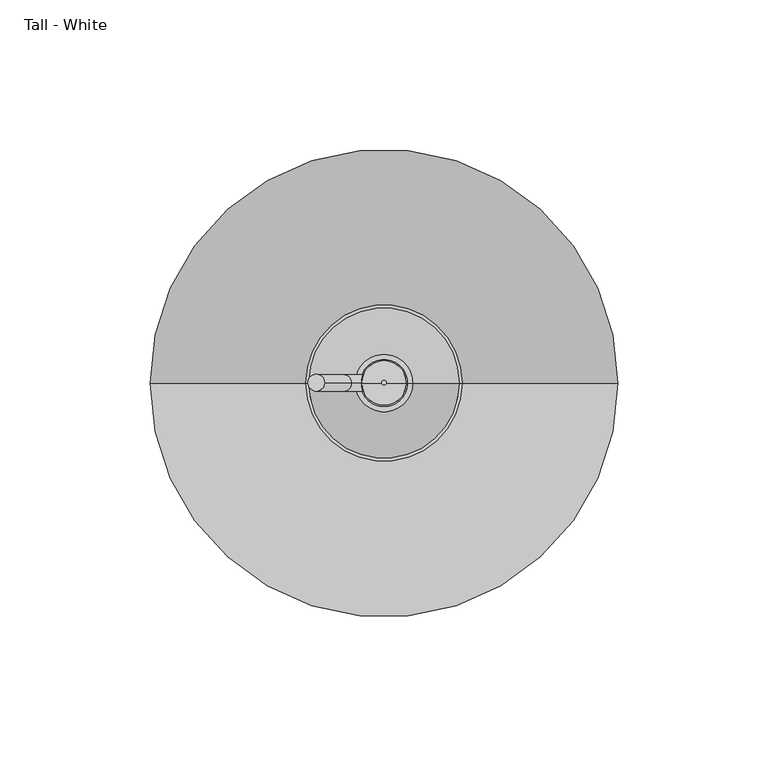
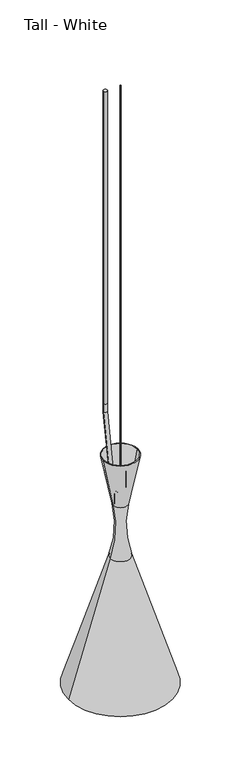
"""IFC4 building model written with IfcOpenShell, lengths in millimetres: furniture geometry, Tall - White."""

import ifcopenshell
import ifcopenshell.guid

model = None  # the IFC model being written
_history = None  # IfcOwnerHistory: only IFC2X3 demands one
_inside = {}  # id of a spatial element -> (the spatial element, [elements in it])
_under = {}  # id of a project, library or spatial element -> (it, [spatial elements below it])
_declared = {}  # id of a project -> (the project, [libraries it declares])
_typed = {}  # id of a type object -> (the type object, [elements of that type])
_made_of = {}  # id of a material, layer set ... -> (it, [elements and type objects made of it])


def new_model(schema):
    """Start an empty IFC model of exactly this schema.

    Asked for "IFC4X3", IfcOpenShell would pick the latest addendum, in which some entities
    have other attributes; the version numbers below select the first issue.
    IFC2X3 requires an IfcOwnerHistory on every rooted entity: one is made here for all.
    """
    global model, _history
    if schema == "IFC4X3":
        model = ifcopenshell.file(schema_version=(4, 3, 0, 0))
    else:
        model = ifcopenshell.file(schema=schema)
    _inside.clear()
    _under.clear()
    _declared.clear()
    _typed.clear()
    _made_of.clear()
    _history = None
    if model.schema == "IFC2X3":
        org = make("IfcOrganization", Name="unknown")
        user = make(
            "IfcPersonAndOrganization",
            ThePerson=make("IfcPerson", FamilyName="unknown"),
            TheOrganization=org,
        )
        app = make(
            "IfcApplication",
            ApplicationDeveloper=org,
            Version="unknown",
            ApplicationFullName="unknown",
            ApplicationIdentifier="unknown",
        )
        _history = make(
            "IfcOwnerHistory",
            OwningUser=user,
            OwningApplication=app,
            ChangeAction="ADDED",
            CreationDate=0,
        )
    return model


def make(cls, **values):
    """One entity of the class cls with the attributes given. An attribute that is None is left unset."""
    return model.create_entity(
        cls, **{name: value for name, value in values.items() if value is not None}
    )


def rooted(cls, **values):
    """An entity with a GlobalId (a new one), such as an element, a storey or a relation."""
    return make(cls, GlobalId=ifcopenshell.guid.new(), OwnerHistory=_history, **values)


def si_unit(unit_type, name, prefix=None):
    """IfcSIUnit, for example si_unit("LENGTHUNIT", "METRE", prefix="MILLI")."""
    return make("IfcSIUnit", UnitType=unit_type, Prefix=prefix, Name=name)


def assignment(units):
    """IfcUnitAssignment: the units of a project."""
    return None if units is None else make("IfcUnitAssignment", Units=units)


def point(xyz):
    """IfcCartesianPoint."""
    return None if xyz is None else make("IfcCartesianPoint", Coordinates=xyz)


def direction(xyz):
    """IfcDirection."""
    return None if xyz is None else make("IfcDirection", DirectionRatios=xyz)


def frame(location, z_axis=None, x_axis=None):
    """IfcAxis2Placement3D, a coordinate frame: its origin and axes. An axis left out is left unset."""
    return make(
        "IfcAxis2Placement3D",
        Location=point(location),
        Axis=direction(z_axis),
        RefDirection=direction(x_axis),
    )


def frame_2d(location, x_axis=None):
    """IfcAxis2Placement2D, a coordinate frame in the plane: its origin and x axis."""
    return make(
        "IfcAxis2Placement2D", Location=point(location), RefDirection=direction(x_axis)
    )


def origin():
    """The frame at (0, 0, 0) with its axes left unset."""
    return frame((0.0, 0.0, 0.0))


def origin_2d():
    """The frame at (0, 0) in the plane with its x axis left unset."""
    return frame_2d((0.0, 0.0))


def place(relative_to, where):
    """IfcLocalPlacement: puts the frame where relative to a parent placement (None: the world)."""
    return make(
        "IfcLocalPlacement", PlacementRelTo=relative_to, RelativePlacement=where
    )


def context(
    kind, dimensions, precision=None, world=None, true_north=None, identifier=None
):
    """IfcGeometricRepresentationContext, for example the 3D "Model" context."""
    return make(
        "IfcGeometricRepresentationContext",
        ContextIdentifier=identifier,
        ContextType=kind,
        CoordinateSpaceDimension=dimensions,
        Precision=precision,
        WorldCoordinateSystem=world,
        TrueNorth=true_north,
    )


def project(units=None, contexts=None):
    """IfcProject with its units and contexts."""
    return rooted(
        "IfcProject",
        Name="project",
        RepresentationContexts=contexts,
        UnitsInContext=assignment(units),
    )


def spatial(cls, under=None, at=None, **own):
    """A site, building, storey or space (cls), placed at a placement, below another one or the project."""
    s = rooted(cls, ObjectPlacement=at, **own)
    if under is not None:
        _under.setdefault(under.id(), (under, []))[1].append(s)
    return s


def polyline(points):
    """IfcPolyline through the points."""
    return make("IfcPolyline", Points=[point(p) for p in points])


def circle_curve(where, radius):
    """IfcCircle in the frame where."""
    return make("IfcCircle", Position=where, Radius=radius)


def ellipse_curve(where, semi_axis1, semi_axis2):
    """IfcEllipse in the frame where."""
    return make(
        "IfcEllipse", Position=where, SemiAxis1=semi_axis1, SemiAxis2=semi_axis2
    )


def trimmed(basis, trim1, trim2, sense, master):
    """IfcTrimmedCurve: the piece of a basis curve between two trims."""
    return make(
        "IfcTrimmedCurve",
        BasisCurve=basis,
        Trim1=trim1,
        Trim2=trim2,
        SenseAgreement=sense,
        MasterRepresentation=master,
    )


def segment(curve, same_sense, transition):
    """IfcCompositeCurveSegment."""
    return make(
        "IfcCompositeCurveSegment",
        Transition=transition,
        SameSense=same_sense,
        ParentCurve=curve,
    )


def composite_curve(segments, self_intersect=None):
    """IfcCompositeCurve: segments joined end to end."""
    return make("IfcCompositeCurve", Segments=segments, SelfIntersect=self_intersect)


def outline(outer, holes=None, kind="AREA"):
    """IfcArbitraryClosedProfileDef: a profile drawn as a closed curve; with holes, ...WithVoids."""
    if holes is None:
        return make("IfcArbitraryClosedProfileDef", ProfileType=kind, OuterCurve=outer)
    return make(
        "IfcArbitraryProfileDefWithVoids",
        ProfileType=kind,
        OuterCurve=outer,
        InnerCurves=holes,
    )


def extrude(swept, where, along, depth):
    """IfcExtrudedAreaSolid: the profile swept, set in the frame where, extruded along a direction by depth."""
    return make(
        "IfcExtrudedAreaSolid",
        SweptArea=swept,
        Position=where,
        ExtrudedDirection=direction(along),
        Depth=depth,
    )


def shape(context_of_items, identifier, shape_type, items):
    """IfcShapeRepresentation: the items that make up one representation, for example the "Body"."""
    return make(
        "IfcShapeRepresentation",
        ContextOfItems=context_of_items,
        RepresentationIdentifier=identifier,
        RepresentationType=shape_type,
        Items=items,
    )


def source(mapping_origin, context_of_items, identifier, shape_type, items):
    """IfcRepresentationMap: a shape defined once, which mapped items show again and again."""
    return make(
        "IfcRepresentationMap",
        MappingOrigin=mapping_origin,
        MappedRepresentation=shape(context_of_items, identifier, shape_type, items),
    )


def transform(
    local_origin,
    x_axis=None,
    y_axis=None,
    z_axis=None,
    scale=None,
    scale2=None,
    scale3=None,
    uniform=True,
):
    """IfcCartesianTransformationOperator3D, or its non-uniform kind. x_axis, y_axis, z_axis: its Axis1, 2, 3."""
    if uniform:
        return make(
            "IfcCartesianTransformationOperator3D",
            Axis1=direction(x_axis),
            Axis2=direction(y_axis),
            LocalOrigin=point(local_origin),
            Scale=scale,
            Axis3=direction(z_axis),
        )
    return make(
        "IfcCartesianTransformationOperator3DnonUniform",
        Axis1=direction(x_axis),
        Axis2=direction(y_axis),
        LocalOrigin=point(local_origin),
        Scale=scale,
        Axis3=direction(z_axis),
        Scale2=scale2,
        Scale3=scale3,
    )


def mapped(mapping_source, mapping_target):
    """IfcMappedItem: shows the shape of a source again, moved by a transform."""
    return make(
        "IfcMappedItem", MappingSource=mapping_source, MappingTarget=mapping_target
    )


def made_of(thing, what):
    """Note that an element or type object is made of a material, layer set ...; save() writes the relation."""
    if what is not None:
        _made_of.setdefault(what.id(), (what, []))[1].append(thing)
    return thing


def element(
    cls,
    number,
    at=None,
    inside=None,
    cuts=None,
    type_object=None,
    material=None,
    context=None,
    identifier="Body",
    shape_type=None,
    held_by="IfcProductDefinitionShape",
    body=None,
    shapes=None,
    **own,
):
    """One element of the class cls, such as IfcWall. Its Tag is "e" and its number.

    at: its placement. inside: the storey or other place that contains it. cuts: it is an
    opening in that element (IfcRelVoidsElement). A single representation is given by context,
    identifier, shape_type and body (its items); several are given by shapes. held_by: the class
    of the entity that holds the representations. save() writes the other relations.
    """
    e = rooted(cls, Tag="e%d" % number, ObjectPlacement=at, **own)
    if body is not None:
        shapes = [shape(context, identifier, shape_type, body)]
    if shapes is not None:
        e.Representation = make(held_by, Representations=shapes)
    if inside is not None:
        _inside.setdefault(inside.id(), (inside, []))[1].append(e)
    if cuts is not None:
        rooted(
            "IfcRelVoidsElement", RelatingBuildingElement=cuts, RelatedOpeningElement=e
        )
    if type_object is not None:
        _typed.setdefault(type_object.id(), (type_object, []))[1].append(e)
    return made_of(e, material)


def aggregate(whole, parts):
    """IfcRelAggregates: a whole, such as a stair, and the parts it consists of."""
    return rooted("IfcRelAggregates", RelatingObject=whole, RelatedObjects=parts)


def save(model, path):
    """Write the relations noted so far, then the file.

    IfcRelAggregates (storeys below a building ...), IfcRelContainedInSpatialStructure (elements
    in a storey), IfcRelDefinesByType, IfcRelAssociatesMaterial and IfcRelDeclares: one each for
    every whole, place, type object, material and project.
    """
    for whole, parts in _under.values():
        aggregate(whole, parts)
    for where, things in _inside.values():
        rooted(
            "IfcRelContainedInSpatialStructure",
            RelatedElements=things,
            RelatingStructure=where,
        )
    for kind, things in _typed.values():
        rooted("IfcRelDefinesByType", RelatedObjects=things, RelatingType=kind)
    for what, things in _made_of.values():
        rooted("IfcRelAssociatesMaterial", RelatedObjects=things, RelatingMaterial=what)
    for by, libraries in _declared.values():
        rooted("IfcRelDeclares", RelatingContext=by, RelatedDefinitions=libraries)
    model.write(path)


def plane_surface(at):
    """IfcPlane: the flat surface through the origin of the frame at, square to its z axis."""
    return make("IfcPlane", Position=at)


def cylinder_surface(at, radius):
    """IfcCylindricalSurface: all points at the distance radius from the z axis of the frame at."""
    return make("IfcCylindricalSurface", Position=at, Radius=radius)


def revolved_surface(curve, axis_point, axis_direction):
    """IfcSurfaceOfRevolution: the curve turned about the line through axis_point along axis_direction."""
    return make(
        "IfcSurfaceOfRevolution",
        SweptCurve=make("IfcArbitraryOpenProfileDef", ProfileType="CURVE", Curve=curve),
        AxisPosition=make("IfcAxis1Placement", Location=point(axis_point), Axis=direction(axis_direction)),
    )


def advanced_brep(points, edges, surfaces, faces):
    """IfcAdvancedBrep: a solid bounded by faces that lie on surfaces and meet in shared edges.

    An edge is (start, end): straight between two places in points (the first is 0);
    or (start, end, curve); or (start, end, curve, False) where it runs against its curve.
    A face is (place in surfaces, loops), or (place, loops, False) where it looks against
    its surface's normal. A loop lists edges by number (the first is 1), with a minus sign
    where the edge is run from its end to its start. The first loop is the outer one.
    """
    corners = [point(p) for p in points]
    vertices = [make("IfcVertexPoint", VertexGeometry=c) for c in corners]
    made = []
    for start, end, *more in edges:
        made.append(
            make(
                "IfcEdgeCurve",
                EdgeStart=vertices[start],
                EdgeEnd=vertices[end],
                EdgeGeometry=more[0] if more else make("IfcPolyline", Points=[corners[start], corners[end]]),
                SameSense=more[1] if len(more) > 1 else True,
            )
        )
    hull = []
    for where, loops, *sense in faces:
        bounds = []
        for j, loop in enumerate(loops):
            ring = [make("IfcOrientedEdge", EdgeElement=made[abs(k) - 1], Orientation=k > 0) for k in loop]
            bounds.append(
                make(
                    "IfcFaceOuterBound" if j == 0 else "IfcFaceBound",
                    Bound=make("IfcEdgeLoop", EdgeList=ring),
                    Orientation=True,
                )
            )
        hull.append(make("IfcAdvancedFace", Bounds=bounds, FaceSurface=surfaces[where], SameSense=sense[0] if sense else True))
    return make("IfcAdvancedBrep", Outer=make("IfcClosedShell", CfsFaces=hull))


def tall_white_011ada7f(model_context):
    return source(origin(), model_context, "Body", "SolidModel", [
        advanced_brep(
        [(77.7951295, 0.0, 1343.9023501), (-77.7951295, 0.0, 1343.9023501), (-15.1513668, 0.0, 1544.3622773), (15.1513668, 0.0, 1544.3622773), (76.8253779, 0.0, 1343.5993025), (-76.8253779, 0.0, 1343.5993025), (27.7536453, 0.0, 1500.6287579), (-27.7536453, 0.0, 1500.6287579), (15.7748226, 0.0, 1500.6287579), (-15.7748226, 0.0, 1500.6287579), (15.7748448, 0.0, 1442.4044049), (-15.7748448, 0.0, 1442.4044049), (14.8310238, 0.0, 1442.4044049), (-14.8310238, 0.0, 1442.4044049), (14.8310238, 0.0, 1444.5302562), (-14.8310238, 0.0, 1444.5302562), (12.010159, 0.0, 1444.5302562), (-12.010159, 0.0, 1444.5302562), (12.010159, 0.0, 1457.1596543), (-12.010159, 0.0, 1457.1596543), (0.0, 0.0, 1457.1596543), (7.4382705, 0.0, 1676.4), (-7.4382705, 0.0, 1676.4), (0.0, 0.0, 1676.4), (7.8784259, 0.0, 1626.3045716), (-7.8784259, 0.0, 1626.3045716), (9.5307172, 0.0, 1626.3045716), (-9.5307172, 0.0, 1626.3045716), (24.9794712, 0.0, 1703.5872689), (-24.9794712, 0.0, 1703.5872689), (25.9757605, 0.0, 1703.3881114), (-25.9757605, 0.0, 1703.3881114), (10.7681334, 0.0, 1627.3116563), (-10.7681334, 0.0, 1627.3116563)],
        [
            (0, 1, circle_curve(frame((0.0, 0.0, 1343.9023501), z_axis=(0.0, 0.0, 1.0), x_axis=(-1.0, 0.0, 0.0)), 77.7951295)),
            (1, 2),
            (2, 3, circle_curve(frame((0.0, 0.0, 1544.3622773), z_axis=(0.0, 0.0, -1.0), x_axis=(-1.0, 0.0, 0.0)), 15.1513668)),
            (3, 0),
            (1, 0, circle_curve(frame((0.0, 0.0, 1343.9023501), z_axis=(0.0, 0.0, 1.0), x_axis=(-1.0, 0.0, 0.0)), 77.7951295)),
            (3, 2, circle_curve(frame((0.0, 0.0, 1544.3622773), z_axis=(0.0, 0.0, -1.0), x_axis=(-1.0, 0.0, 0.0)), 15.1513668)),
            (4, 5, circle_curve(frame((0.0, 0.0, 1343.5993025), z_axis=(0.0, 0.0, 1.0), x_axis=(-1.0, 0.0, 0.0)), 76.8253779)),
            (5, 1),
            (0, 4),
            (5, 4, circle_curve(frame((0.0, 0.0, 1343.5993025), z_axis=(0.0, 0.0, 1.0), x_axis=(-1.0, 0.0, 0.0)), 76.8253779)),
            (6, 7, circle_curve(frame((0.0, 0.0, 1500.6287579), z_axis=(0.0, 0.0, 1.0), x_axis=(-1.0, 0.0, 0.0)), 27.7536453)),
            (7, 5),
            (4, 6),
            (7, 6, circle_curve(frame((0.0, 0.0, 1500.6287579), z_axis=(0.0, 0.0, 1.0), x_axis=(-1.0, 0.0, 0.0)), 27.7536453)),
            (8, 9, circle_curve(frame((0.0, 0.0, 1500.6287579), z_axis=(0.0, 0.0, 1.0), x_axis=(-1.0, 0.0, 0.0)), 15.7748226)),
            (9, 7),
            (6, 8),
            (9, 8, circle_curve(frame((0.0, 0.0, 1500.6287579), z_axis=(0.0, 0.0, 1.0), x_axis=(-1.0, 0.0, 0.0)), 15.7748226)),
            (10, 11, circle_curve(frame((0.0, 0.0, 1442.4044049), z_axis=(0.0, 0.0, 1.0), x_axis=(-1.0, 0.0, 0.0)), 15.7748448)),
            (11, 9),
            (8, 10),
            (11, 10, circle_curve(frame((0.0, 0.0, 1442.4044049), z_axis=(0.0, 0.0, 1.0), x_axis=(-1.0, 0.0, 0.0)), 15.7748448)),
            (12, 13, circle_curve(frame((0.0, 0.0, 1442.4044049), z_axis=(0.0, 0.0, 1.0), x_axis=(-1.0, 0.0, 0.0)), 14.8310238)),
            (13, 11),
            (10, 12),
            (13, 12, circle_curve(frame((0.0, 0.0, 1442.4044049), z_axis=(0.0, 0.0, 1.0), x_axis=(-1.0, 0.0, 0.0)), 14.8310238)),
            (14, 15, circle_curve(frame((0.0, 0.0, 1444.5302562), z_axis=(0.0, 0.0, 1.0), x_axis=(-1.0, 0.0, 0.0)), 14.8310238)),
            (15, 13),
            (12, 14),
            (15, 14, circle_curve(frame((0.0, 0.0, 1444.5302562), z_axis=(0.0, 0.0, 1.0), x_axis=(-1.0, 0.0, 0.0)), 14.8310238)),
            (16, 17, circle_curve(frame((0.0, 0.0, 1444.5302562), z_axis=(0.0, 0.0, 1.0), x_axis=(-1.0, 0.0, 0.0)), 12.010159)),
            (17, 15),
            (14, 16),
            (17, 16, circle_curve(frame((0.0, 0.0, 1444.5302562), z_axis=(0.0, 0.0, 1.0), x_axis=(-1.0, 0.0, 0.0)), 12.010159)),
            (18, 19, circle_curve(frame((0.0, 0.0, 1457.1596543), z_axis=(0.0, 0.0, 1.0), x_axis=(-1.0, 0.0, 0.0)), 12.010159)),
            (19, 17),
            (16, 18),
            (19, 18, circle_curve(frame((0.0, 0.0, 1457.1596543), z_axis=(0.0, 0.0, 1.0), x_axis=(-1.0, 0.0, 0.0)), 12.010159)),
            (20, 19),
            (18, 20),
            (21, 22, circle_curve(frame((0.0, 0.0, 1676.4), z_axis=(0.0, 0.0, 1.0), x_axis=(-1.0, 0.0, 0.0)), 7.4382705)),
            (22, 23),
            (23, 21),
            (22, 21, circle_curve(frame((0.0, 0.0, 1676.4), z_axis=(0.0, 0.0, 1.0), x_axis=(-1.0, 0.0, 0.0)), 7.4382705)),
            (24, 25, circle_curve(frame((0.0, 0.0, 1626.3045716), z_axis=(0.0, 0.0, 1.0), x_axis=(-1.0, 0.0, 0.0)), 7.8784259)),
            (25, 22),
            (21, 24),
            (25, 24, circle_curve(frame((0.0, 0.0, 1626.3045716), z_axis=(0.0, 0.0, 1.0), x_axis=(-1.0, 0.0, 0.0)), 7.8784259)),
            (26, 27, circle_curve(frame((0.0, 0.0, 1626.3045716), z_axis=(0.0, 0.0, 1.0), x_axis=(-1.0, 0.0, 0.0)), 9.5307172)),
            (27, 25),
            (24, 26),
            (27, 26, circle_curve(frame((0.0, 0.0, 1626.3045716), z_axis=(0.0, 0.0, 1.0), x_axis=(-1.0, 0.0, 0.0)), 9.5307172)),
            (28, 29, circle_curve(frame((0.0, 0.0, 1703.5872689), z_axis=(0.0, 0.0, 1.0), x_axis=(-1.0, 0.0, 0.0)), 24.9794712)),
            (29, 27),
            (26, 28),
            (29, 28, circle_curve(frame((0.0, 0.0, 1703.5872689), z_axis=(0.0, 0.0, 1.0), x_axis=(-1.0, 0.0, 0.0)), 24.9794712)),
            (30, 31, circle_curve(frame((0.0, 0.0, 1703.3881114), z_axis=(0.0, 0.0, 1.0), x_axis=(-1.0, 0.0, 0.0)), 25.9757605)),
            (31, 29),
            (28, 30),
            (31, 30, circle_curve(frame((0.0, 0.0, 1703.3881114), z_axis=(0.0, 0.0, 1.0), x_axis=(-1.0, 0.0, 0.0)), 25.9757605)),
            (32, 33, circle_curve(frame((0.0, 0.0, 1627.3116563), z_axis=(0.0, 0.0, 1.0), x_axis=(-1.0, 0.0, 0.0)), 10.7681334)),
            (33, 31),
            (30, 32),
            (33, 32, circle_curve(frame((0.0, 0.0, 1627.3116563), z_axis=(0.0, 0.0, 1.0), x_axis=(-1.0, 0.0, 0.0)), 10.7681334)),
            (2, 33, circle_curve(frame((-175.3255743, 0.0, 1594.4167455), z_axis=(0.0, -1.0, 0.0), x_axis=(1.0, 0.0, 0.0)), 167.8130702)),
            (32, 3, circle_curve(frame((175.3255743, 0.0, 1594.4167455), z_axis=(0.0, -1.0, 0.0), x_axis=(-1.0, 0.0, 0.0)), 167.8130702)),
        ],
        [
            revolved_surface(polyline([(-15.1513668, 0.0, 1544.3622773), (-77.7951295, 0.0, 1343.9023501)]), (0.0, 0.0, 1319.5913583), (0.0, 0.0, -1.0)),
            revolved_surface(polyline([(-77.7951295, 0.0, 1343.9023501), (-76.8253779, 0.0, 1343.5993025)]), (0.0, 0.0, 1319.5913583), (0.0, 0.0, -1.0)),
            revolved_surface(polyline([(-76.8253779, 0.0, 1343.5993025), (-27.7536453, 0.0, 1500.6287579)]), (0.0, 0.0, 1319.5913583), (0.0, 0.0, -1.0)),
            plane_surface(frame((0.0, 0.0, 1500.6287579), z_axis=(0.0, 0.0, -1.0), x_axis=(-1.0, 0.0, 0.0))),
            cylinder_surface(frame((0.0, 0.0, 1319.5913583), z_axis=(0.0, 0.0, -1.0), x_axis=(-1.0, 0.0, 0.0)), 15.7748448),
            plane_surface(frame((0.0, 0.0, 1442.4044049), z_axis=(0.0, 0.0, -1.0), x_axis=(-1.0, 0.0, 0.0))),
            revolved_surface(polyline([(-14.8310238, 0.0, 1442.4044049), (-14.8310238, 0.0, 1444.5302562)]), (0.0, 0.0, 1319.5913583), (0.0, 0.0, -1.0)),
            plane_surface(frame((0.0, 0.0, 1444.5302562), z_axis=(0.0, 0.0, -1.0), x_axis=(-1.0, 0.0, 0.0))),
            revolved_surface(polyline([(-12.010159, 0.0, 1444.5302562), (-12.010159, 0.0, 1457.1596543)]), (0.0, 0.0, 1319.5913583), (0.0, 0.0, -1.0)),
            plane_surface(frame((0.0, 0.0, 1457.1596543), z_axis=(0.0, 0.0, -1.0), x_axis=(-1.0, 0.0, 0.0))),
            plane_surface(frame((0.0, 0.0, 1676.4), z_axis=(0.0, 0.0, 1.0), x_axis=(-1.0, 0.0, 0.0))),
            revolved_surface(polyline([(-7.4382705, 0.0, 1676.4), (-7.8784259, 0.0, 1626.3045716)]), (0.0, 0.0, 1319.5913583), (0.0, 0.0, -1.0)),
            plane_surface(frame((0.0, 0.0, 1626.3045716), z_axis=(0.0, 0.0, 1.0), x_axis=(-1.0, 0.0, 0.0))),
            revolved_surface(polyline([(-9.5307172, 0.0, 1626.3045716), (-24.9794712, 0.0, 1703.5872689)]), (0.0, 0.0, 1319.5913583), (0.0, 0.0, -1.0)),
            revolved_surface(polyline([(-24.9794712, 0.0, 1703.5872689), (-25.9757605, 0.0, 1703.3881114)]), (0.0, 0.0, 1319.5913583), (0.0, 0.0, -1.0)),
            revolved_surface(polyline([(-25.9757605, 0.0, 1703.3881114), (-10.7681334, 0.0, 1627.3116563)]), (0.0, 0.0, 1319.5913583), (0.0, 0.0, -1.0)),
            revolved_surface(trimmed(ellipse_curve(frame((-175.3255743, 0.0, 1594.4167455), z_axis=(0.0, 1.0, 0.0), x_axis=(1.0, 0.0, 0.0)), 167.8130702, 167.8130702), [point((-10.7681334, 0.0, 1627.3116563))], [point((-15.1513668, 0.0, 1544.3622773))], True, "CARTESIAN"), (0.0, 0.0, 1319.5913583), (0.0, 0.0, -1.0)),
        ],
        [
            (0, [[1, 2, 3, 4]]),
            (0, [[5, -4, 6, -2]]),
            (1, [[7, 8, -1, 9]]),
            (1, [[10, -9, -5, -8]]),
            (2, [[11, 12, -7, 13]]),
            (2, [[14, -13, -10, -12]]),
            (3, [[15, 16, -11, 17]]),
            (3, [[18, -17, -14, -16]]),
            (4, [[19, 20, -15, 21]]),
            (4, [[22, -21, -18, -20]]),
            (5, [[23, 24, -19, 25]]),
            (5, [[26, -25, -22, -24]]),
            (6, [[27, 28, -23, 29]]),
            (6, [[30, -29, -26, -28]]),
            (7, [[31, 32, -27, 33]]),
            (7, [[34, -33, -30, -32]]),
            (8, [[35, 36, -31, 37]]),
            (8, [[38, -37, -34, -36]]),
            (9, [[39, -35, 40]]),
            (9, [[-40, -38, -39]]),
            (10, [[41, 42, 43]]),
            (10, [[44, -43, -42]]),
            (11, [[45, 46, -41, 47]]),
            (11, [[48, -47, -44, -46]]),
            (12, [[49, 50, -45, 51]]),
            (12, [[52, -51, -48, -50]]),
            (13, [[53, 54, -49, 55]]),
            (13, [[56, -55, -52, -54]]),
            (14, [[57, 58, -53, 59]]),
            (14, [[60, -59, -56, -58]]),
            (15, [[61, 62, -57, 63]]),
            (15, [[64, -63, -60, -62]]),
            (16, [[-3, 65, -61, 66]]),
            (16, [[-6, -66, -64, -65]]),
        ],
    ),
        advanced_brep(
        [(0.6021357, 0.0, 1648.2557331), (-2.3682407, 0.0, 1643.5225938), (-2.7501211, 0.0, 1652.0709622), (-7.8260673, 0.0, 1649.7341878), (-10.6957994, 0.0, 1677.3833208), (-16.1966016, 0.0, 1676.4), (-19.741253, 0.0, 1779.3879205), (-25.329253, 0.0, 1779.3879205), (-19.741253, 0.0, 1792.0879204), (-25.329253, 0.0, 1792.0879204), (-25.329253, 0.0, 2286.0), (-19.741253, 0.0, 2286.0)],
        [
            (0, 1, circle_curve(frame((-0.8830525, 0.0, 1645.8891635), z_axis=(0.8470184882891747, 0.0, -0.5315634303602169), x_axis=(-0.5315634303602169, 0.0, -0.8470184882891747)), 2.794)),
            (1, 0, circle_curve(frame((-0.8830525, 0.0, 1645.8891635), z_axis=(0.8470184882891747, 0.0, -0.5315634303602169), x_axis=(-0.5315634303602169, 0.0, -0.8470184882891747)), 2.794)),
            (0, 2, circle_curve(frame((5.3312429, 0.0, 1655.7913177), z_axis=(0.0, 1.0, 0.0), x_axis=(-0.5315634303602169, 0.0, -0.8470184882891747)), 8.8965998)),
            (2, 3, circle_curve(frame((-5.2880942, 0.0, 1650.902575), z_axis=(0.41817723360666303, 0.0, -0.9083654558012861), x_axis=(-0.9083654558012861, 0.0, -0.41817723360666303)), 2.794)),
            (3, 1, circle_curve(frame((5.3312429, 0.0, 1655.7913177), z_axis=(0.0, -1.0, 0.0), x_axis=(-0.5315634303602169, 0.0, -0.8470184882891747)), 14.4845998)),
            (3, 2, circle_curve(frame((-5.2880942, 0.0, 1650.902575), z_axis=(0.41817723360663467, 0.0, -0.9083654558012992), x_axis=(-0.9083654558012992, 0.0, -0.41817723360663467)), 2.794)),
            (2, 4, circle_curve(frame((92.180486, 0.0, 1695.7734372), z_axis=(0.0, 1.0, 0.0), x_axis=(-0.9083654558013188, 0.0, -0.4181772336065921)), 104.5070643)),
            (4, 5, circle_curve(frame((-13.4462005, 0.0, 1676.8916604), z_axis=(0.1759700794087641, 0.0, -0.984395515609896), x_axis=(-0.984395515609896, 0.0, -0.1759700794087641)), 2.794)),
            (5, 3, circle_curve(frame((92.180486, 0.0, 1695.7734372), z_axis=(0.0, -1.0, 0.0), x_axis=(-0.9083654558013188, 0.0, -0.4181772336065921)), 110.0950643)),
            (5, 4, circle_curve(frame((-13.4462005, 0.0, 1676.8916604), z_axis=(0.17597007940876203, 0.0, -0.9843955156098965), x_axis=(-0.9843955156098965, 0.0, -0.17597007940876203)), 2.794)),
            (4, 6, circle_curve(frame((559.9288818, 0.0, 1779.3879205), z_axis=(0.0, 1.0, 0.0), x_axis=(-0.9843955156099008, 0.0, -0.1759700794087381)), 579.6701348)),
            (6, 7, circle_curve(frame((-22.535253, 0.0, 1779.3879205), z_axis=(0.0, 0.0, -1.0), x_axis=(-1.0, 0.0, 0.0)), 2.794)),
            (7, 5, circle_curve(frame((559.9288818, 0.0, 1779.3879205), z_axis=(0.0, -1.0, 0.0), x_axis=(-0.9843955156099008, 0.0, -0.1759700794087381)), 585.2581348)),
            (7, 6, circle_curve(frame((-22.535253, 0.0, 1779.3879205), z_axis=(0.0, 0.0, -0.9999999999999999), x_axis=(-0.9999999999999999, 0.0, 0.0)), 2.794)),
            (6, 8),
            (8, 9, circle_curve(frame((-22.535253, 0.0, 1792.0879204), z_axis=(0.0, 0.0, -1.0), x_axis=(-1.0, 0.0, 0.0)), 2.794)),
            (9, 7),
            (9, 8, circle_curve(frame((-22.535253, 0.0, 1792.0879204), z_axis=(0.0, 0.0, -1.0), x_axis=(-1.0, 0.0, 0.0)), 2.794)),
            (10, 11, circle_curve(frame((-22.535253, 0.0, 2286.0), z_axis=(0.0, 0.0, 1.0), x_axis=(1.0, 0.0, 0.0)), 2.794)),
            (11, 10, circle_curve(frame((-22.535253, 0.0, 2286.0), z_axis=(0.0, 0.0, 1.0), x_axis=(1.0, 0.0, 0.0)), 2.794)),
            (10, 9),
            (8, 11),
        ],
        [
            plane_surface(frame((-2.3682407, 0.0, 1643.5225938), z_axis=(0.8470184882891748, 0.0, -0.5315634303602169), x_axis=(0.0, -1.0, 0.0))),
            revolved_surface(trimmed(ellipse_curve(frame((-0.8830525, 0.0, 1645.8891635), z_axis=(0.8470184882891747, 0.0, -0.5315634303602169), x_axis=(-0.5315634303602169, 0.0, -0.8470184882891747)), 2.794, 2.794), [point((0.6021357, 0.0, 1648.2557331))], [point((-2.3682407, 0.0, 1643.5225938))], True, "CARTESIAN"), (5.3312429, 0.0, 1655.7913177), (0.0, 1.0, 0.0)),
            revolved_surface(trimmed(ellipse_curve(frame((-0.8830525, 0.0, 1645.8891635), z_axis=(0.8470184882891747, 0.0, -0.5315634303602169), x_axis=(-0.5315634303602169, 0.0, -0.8470184882891747)), 2.794, 2.794), [point((-2.3682407, 0.0, 1643.5225938))], [point((0.6021357, 0.0, 1648.2557331))], True, "CARTESIAN"), (5.3312429, 0.0, 1655.7913177), (0.0, 1.0, 0.0)),
            revolved_surface(trimmed(ellipse_curve(frame((-5.2880942, 0.0, 1650.902575), z_axis=(0.4181772336065922, 0.0, -0.9083654558013188), x_axis=(-0.9083654558013188, 0.0, -0.4181772336065922)), 2.794, 2.794), [point((-2.7501211, 0.0, 1652.0709622))], [point((-7.8260673, 0.0, 1649.7341878))], True, "CARTESIAN"), (92.180486, 0.0, 1695.7734372), (0.0, 1.0, 0.0)),
            revolved_surface(trimmed(ellipse_curve(frame((-5.2880942, 0.0, 1650.902575), z_axis=(0.4181772336065922, 0.0, -0.9083654558013188), x_axis=(-0.9083654558013188, 0.0, -0.4181772336065922)), 2.794, 2.794), [point((-7.8260673, 0.0, 1649.7341878))], [point((-2.7501211, 0.0, 1652.0709622))], True, "CARTESIAN"), (92.180486, 0.0, 1695.7734372), (0.0, 1.0, 0.0)),
            revolved_surface(trimmed(ellipse_curve(frame((-13.4462005, 0.0, 1676.8916604), z_axis=(0.17597007940873818, 0.0, -0.9843955156099008), x_axis=(-0.9843955156099008, 0.0, -0.17597007940873818)), 2.794, 2.794), [point((-10.6957994, 0.0, 1677.3833208))], [point((-16.1966016, 0.0, 1676.4))], True, "CARTESIAN"), (559.9288818, 0.0, 1779.3879205), (0.0, 1.0, 0.0)),
            revolved_surface(trimmed(ellipse_curve(frame((-13.4462005, 0.0, 1676.8916604), z_axis=(0.17597007940873818, 0.0, -0.9843955156099008), x_axis=(-0.9843955156099008, 0.0, -0.17597007940873818)), 2.794, 2.794), [point((-16.1966016, 0.0, 1676.4))], [point((-10.6957994, 0.0, 1677.3833208))], True, "CARTESIAN"), (559.9288818, 0.0, 1779.3879205), (0.0, 1.0, 0.0)),
            cylinder_surface(frame((-22.535253, 0.0, 1779.3879205), z_axis=(0.0, 0.0, -1.0), x_axis=(-1.0, 0.0, 0.0)), 2.794),
            plane_surface(frame((-19.741253, 0.0, 2286.0), z_axis=(0.0, 0.0, 1.0), x_axis=(0.0, 1.0, 0.0))),
            cylinder_surface(frame((-22.535253, 0.0, 1792.0879204), z_axis=(0.0, 0.0, 1.0), x_axis=(1.0, 0.0, 0.0)), 2.794),
        ],
        [
            (0, [[1, 2]]),
            (1, [[-1, 3, 4, 5]]),
            (2, [[-2, -5, 6, -3]]),
            (3, [[-4, 7, 8, 9]]),
            (4, [[-6, -9, 10, -7]]),
            (5, [[-8, 11, 12, 13]]),
            (6, [[-10, -13, 14, -11]]),
            (7, [[-12, 15, 16, 17]]),
            (7, [[-14, -17, 18, -15]]),
            (8, [[19, 20]]),
            (9, [[-19, 21, -16, 22]]),
            (9, [[-20, -22, -18, -21]]),
        ],
    ),
        extrude(outline(composite_curve([segment(trimmed(circle_curve(origin_2d(), 0.762), [point((-0.762, 0.0))], [point((0.762, 0.0))], False, "CARTESIAN"), True, "CONTINUOUS"), segment(trimmed(circle_curve(origin_2d(), 0.762), [point((0.762, 0.0))], [point((-0.762, 0.0))], False, "CARTESIAN"), True, "CONTINUOUS")], self_intersect=False)), frame((0.0, 0.0, 1676.4), z_axis=(0.0, 0.0, 1.0), x_axis=(1.0, 0.0, 0.0)), (0.0, 0.0, 1.0), 609.6),
    ])


if __name__ == "__main__":
    model = new_model("IFC4")
    model_context = context("Model", 3, world=origin())
    ifc_project = project(units=[si_unit("LENGTHUNIT", "METRE", prefix="MILLI")], contexts=[model_context])
    site = spatial("IfcSite", under=ifc_project)
    building = spatial("IfcBuilding", under=site)
    placement = place(None, origin())
    tall_white_shape = tall_white_011ada7f(model_context)
    element("IfcFurniture", 1, ObjectType="Tall - White", at=placement, inside=building, context=model_context, shape_type="MappedRepresentation", body=[
        mapped(tall_white_shape, transform((0.0, 0.0, 0.0), x_axis=(1.0, 0.0, 0.0), y_axis=(0.0, 1.0, 0.0), z_axis=(0.0, 0.0, 1.0))),
    ])
    save(model, "model.ifc")
